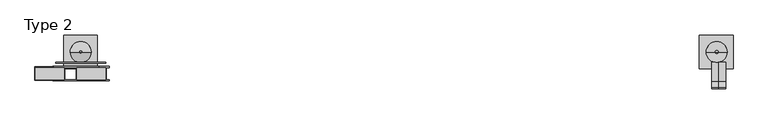
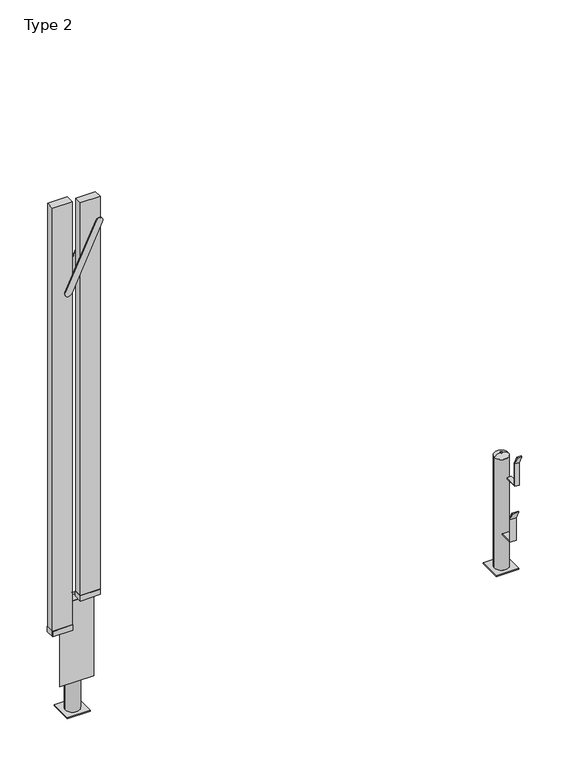
"""IFC4 building model written with IfcOpenShell, lengths in millimetres: proxy geometry, Type 2."""

from ifc_helpers import new_model, si_unit, point, frame, frame_2d, origin, place, context, project, spatial, polyline, circle_curve, ellipse_curve, trimmed, segment, composite_curve, outline, extrude, faceted_brep, source, transform, mapped, element, save
from ifc_brep_helpers import plane_surface, cylinder_surface, revolved_surface, advanced_brep


def type_2_2eb28b4f(model_context):
    return source(origin(), model_context, "Body", "SolidModel", [
        extrude(outline(polyline([(-2033.275, 301.5346202), (-2214.25, 301.5346202), (-2214.25, 382.5346202), (-2033.275, 382.5346202), (-2033.275, 301.5346202)])), frame((0.0, 0.0, 885.6125), z_axis=(0.0, 0.0, 1.0), x_axis=(1.0, 0.0, 0.0)), (0.0, 0.0, 1.0), 50.8),
        extrude(outline(polyline([(-1781.475, 301.5346202), (-1962.45, 301.5346202), (-1962.45, 382.5346202), (-1781.475, 382.5346202), (-1781.475, 301.5346202)])), frame((0.0, 0.0, 1139.6125), z_axis=(0.0, 0.0, 1.0), x_axis=(1.0, 0.0, 0.0)), (0.0, 0.0, 1.0), 50.8),
        extrude(outline(polyline([(-2034.85, 305.2596202), (-2212.65, 305.2596202), (-2212.65, 378.2846202), (-2034.85, 378.2846202), (-2034.85, 305.2596202)])), frame((0.0, 0.0, 887.2), z_axis=(0.0, 0.0, 1.0), x_axis=(1.0, 0.0, 0.0)), (0.0, 0.0, 1.0), 4087.8),
        extrude(outline(polyline([(-1783.05, 305.2596202), (-1960.85, 305.2596202), (-1960.85, 378.2846202), (-1783.05, 378.2846202), (-1783.05, 305.2596202)])), frame((0.0, 0.0, 1141.2), z_axis=(0.0, 0.0, 1.0), x_axis=(1.0, 0.0, 0.0)), (0.0, 0.0, 1.0), 3795.7),
        advanced_brep(
        [(-1833.85, 576.9346202, 9.525), (-2038.85, 576.9346202, 9.525), (-2038.85, 371.9346202, 9.525), (-1833.85, 371.9346202, 9.525), (-1871.95, 473.5346202, 9.525), (-1998.95, 473.5346202, 9.525), (-1833.85, 576.9346202, 0.0), (-1833.85, 371.9346202, 0.0), (-2038.85, 371.9346202, 0.0), (-2038.85, 576.9346202, 0.0), (-1998.95, 473.5346202, 1065.0), (-1871.95, 473.5346202, 1065.0), (-1944.9569878, 473.5346202, 1090.0), (-1925.9430122, 473.5346202, 1090.0), (-1935.45, 473.5346202, 1090.0)],
        [
            (0, 1),
            (1, 2),
            (2, 3),
            (3, 0),
            (4, 5, circle_curve(frame((-1935.45, 473.5346202, 9.525), z_axis=(0.0, 0.0, -1.0), x_axis=(1.0, 0.0, 0.0)), 63.5)),
            (5, 4, circle_curve(frame((-1935.45, 473.5346202, 9.525), z_axis=(0.0, 0.0, -1.0), x_axis=(1.0, 0.0, 0.0)), 63.5)),
            (6, 7),
            (7, 8),
            (8, 9),
            (9, 6),
            (0, 6),
            (9, 1),
            (8, 2),
            (7, 3),
            (10, 5),
            (4, 11),
            (11, 10, circle_curve(frame((-1935.45, 473.5346202, 1065.0), z_axis=(0.0, 0.0, -1.0), x_axis=(1.0, 0.0, 0.0)), 63.5)),
            (10, 11, circle_curve(frame((-1935.45, 473.5346202, 1065.0), z_axis=(0.0, 0.0, -1.0), x_axis=(1.0, 0.0, 0.0)), 63.5)),
            (12, 13, circle_curve(frame((-1935.45, 473.5346202, 1090.0), z_axis=(0.0, 0.0, -1.0), x_axis=(1.0, 0.0, 0.0)), 9.5069878)),
            (13, 11, circle_curve(frame((-1925.9430122, 473.5346202, 1019.1950926), z_axis=(0.0, 1.0, 0.0), x_axis=(-1.0, 0.0, 0.0)), 70.8049074)),
            (10, 12, circle_curve(frame((-1944.9569878, 473.5346202, 1019.1950926), z_axis=(0.0, 1.0, 0.0), x_axis=(1.0, 0.0, 0.0)), 70.8049074)),
            (13, 12, circle_curve(frame((-1935.45, 473.5346202, 1090.0), z_axis=(0.0, 0.0, -1.0), x_axis=(1.0, 0.0, 0.0)), 9.5069878)),
            (12, 14),
            (14, 13),
        ],
        [
            plane_surface(frame((-1835.65, 576.9346202, 9.525), z_axis=(0.0, 0.0, 1.0), x_axis=(-1.0, 0.0, 0.0))),
            plane_surface(frame((-1835.65, 576.9346202, 0.0), z_axis=(0.0, 0.0, -1.0), x_axis=(1.0, 0.0, 0.0))),
            plane_surface(frame((-1833.85, 576.9346202, 9.525), z_axis=(0.0, 1.0, 0.0), x_axis=(0.0, 0.0, -1.0))),
            plane_surface(frame((-2038.85, 576.9346202, 9.525), z_axis=(-1.0, 0.0, 0.0), x_axis=(0.0, 0.0, -1.0))),
            plane_surface(frame((-2038.85, 371.9346202, 9.525), z_axis=(0.0, -1.0, 0.0), x_axis=(0.0, 0.0, -1.0))),
            plane_surface(frame((-1833.85, 371.9346202, 9.525), z_axis=(1.0, 0.0, 0.0), x_axis=(0.0, 0.0, -1.0))),
            cylinder_surface(frame((-1935.45, 473.5346202, 0.0), z_axis=(0.0, 0.0, 1.0), x_axis=(1.0, 0.0, 0.0)), 63.5),
            revolved_surface(trimmed(ellipse_curve(frame((-1925.9430122, 473.5346202, 1019.1950926), z_axis=(0.0, -1.0, 0.0), x_axis=(-1.0, 0.0, 0.0)), 70.8049074, 70.8049074), [point((-1871.95, 473.5346202, 1065.0))], [point((-1925.9430122, 473.5346202, 1090.0))], True, "CARTESIAN"), (-1935.45, 473.5346202, 1090.0), (0.0, 0.0, 1.0)),
            plane_surface(frame((-1935.45, 473.5346202, 1090.0), z_axis=(0.0, 0.0, 1.0), x_axis=(1.0, 0.0, 0.0))),
        ],
        [
            (0, [[1, 2, 3, 4], [5, 6]]),
            (1, [[7, 8, 9, 10]]),
            (2, [[-1, 11, -10, 12]]),
            (3, [[-2, -12, -9, 13]]),
            (4, [[-3, -13, -8, 14]]),
            (5, [[-4, -14, -7, -11]]),
            (6, [[15, -5, 16, 17]]),
            (6, [[-15, 18, -16, -6]]),
            (7, [[19, 20, -18, 21]]),
            (7, [[-20, 22, -21, -17]]),
            (8, [[-19, 23, 24]]),
            (8, [[-22, -24, -23]]),
        ],
    ),
        advanced_brep(
        [(1830.25, 576.9346202, 9.525), (1830.25, 371.9346202, 9.525), (2035.25, 371.9346202, 9.525), (2035.25, 576.9346202, 9.525), (1998.95, 473.5346202, 9.525), (1871.95, 473.5346202, 9.525), (1830.25, 576.9346202, 0.0), (2035.25, 576.9346202, 0.0), (2035.25, 371.9346202, 0.0), (1830.25, 371.9346202, 0.0), (1871.95, 473.5346202, 1065.0), (1998.95, 473.5346202, 1065.0), (1944.9569878, 473.5346202, 1090.0), (1925.9430122, 473.5346202, 1090.0), (1935.45, 473.5346202, 1090.0)],
        [
            (0, 1),
            (1, 2),
            (2, 3),
            (3, 0),
            (4, 5, circle_curve(frame((1935.45, 473.5346202, 9.525), z_axis=(0.0, 0.0, -1.0), x_axis=(1.0, 0.0, 0.0)), 63.5)),
            (5, 4, circle_curve(frame((1935.45, 473.5346202, 9.525), z_axis=(0.0, 0.0, -1.0), x_axis=(1.0, 0.0, 0.0)), 63.5)),
            (6, 7),
            (7, 8),
            (8, 9),
            (9, 6),
            (0, 6),
            (9, 1),
            (8, 2),
            (7, 3),
            (10, 5),
            (4, 11),
            (11, 10, circle_curve(frame((1935.45, 473.5346202, 1065.0), z_axis=(0.0, 0.0, -1.0), x_axis=(1.0, 0.0, 0.0)), 63.5)),
            (10, 11, circle_curve(frame((1935.45, 473.5346202, 1065.0), z_axis=(0.0, 0.0, -1.0), x_axis=(1.0, 0.0, 0.0)), 63.5)),
            (12, 13, circle_curve(frame((1935.45, 473.5346202, 1090.0), z_axis=(0.0, 0.0, 1.0), x_axis=(-1.0, 0.0, 0.0)), 9.5069878)),
            (13, 14),
            (14, 12),
            (13, 12, circle_curve(frame((1935.45, 473.5346202, 1090.0), z_axis=(0.0, 0.0, 1.0), x_axis=(-1.0, 0.0, 0.0)), 9.5069878)),
            (12, 11, circle_curve(frame((1944.9569878, 473.5346202, 1019.1950926), z_axis=(0.0, 1.0, 0.0), x_axis=(-1.0, 0.0, 0.0)), 70.8049074)),
            (10, 13, circle_curve(frame((1925.9430122, 473.5346202, 1019.1950926), z_axis=(0.0, 1.0, 0.0), x_axis=(1.0, 0.0, 0.0)), 70.8049074)),
        ],
        [
            plane_surface(frame((-1835.65, 576.9346202, 9.525), z_axis=(0.0, 0.0, 1.0), x_axis=(-1.0, 0.0, 0.0))),
            plane_surface(frame((-1835.65, 576.9346202, 0.0), z_axis=(0.0, 0.0, -1.0), x_axis=(1.0, 0.0, 0.0))),
            plane_surface(frame((1830.25, 576.9346202, 9.525), z_axis=(-1.0, 0.0, 0.0), x_axis=(0.0, 0.0, -1.0))),
            plane_surface(frame((1830.25, 371.9346202, 9.525), z_axis=(0.0, -1.0, 0.0), x_axis=(0.0, 0.0, -1.0))),
            plane_surface(frame((2035.25, 371.9346202, 9.525), z_axis=(1.0, 0.0, 0.0), x_axis=(0.0, 0.0, -1.0))),
            plane_surface(frame((2035.25, 576.9346202, 9.525), z_axis=(0.0, 1.0, 0.0), x_axis=(0.0, 0.0, -1.0))),
            cylinder_surface(frame((1935.45, 473.5346202, 0.0), z_axis=(0.0, 0.0, 1.0), x_axis=(1.0, 0.0, 0.0)), 63.5),
            plane_surface(frame((1935.45, 473.5346202, 1090.0), z_axis=(0.0, 0.0, 1.0), x_axis=(-1.0, 0.0, 0.0))),
            revolved_surface(trimmed(ellipse_curve(frame((1925.9430122, 473.5346202, 1019.1950926), z_axis=(0.0, -1.0, 0.0), x_axis=(1.0, 0.0, 0.0)), 70.8049074, 70.8049074), [point((1925.9430122, 473.5346202, 1090.0))], [point((1871.95, 473.5346202, 1065.0))], True, "CARTESIAN"), (1935.45, 473.5346202, 1090.0), (0.0, 0.0, -1.0)),
        ],
        [
            (0, [[1, 2, 3, 4], [5, 6]]),
            (1, [[7, 8, 9, 10]]),
            (2, [[-1, 11, -10, 12]]),
            (3, [[-2, -12, -9, 13]]),
            (4, [[-3, -13, -8, 14]]),
            (5, [[-4, -14, -7, -11]]),
            (6, [[15, -5, 16, 17]]),
            (6, [[-15, 18, -16, -6]]),
            (7, [[19, 20, 21]]),
            (7, [[-20, 22, -21]]),
            (8, [[-19, 23, -18, 24]]),
            (8, [[-22, -24, -17, -23]]),
        ],
    ),
        faceted_brep([(-2087.85, 410.0346202, 1079.5), (-2087.85, 403.6846202, 1079.5), (-1783.05, 403.6846202, 1079.5), (-1783.05, 410.0346202, 1079.5), (-1783.05, 410.0346202, 304.8), (-1783.05, 403.6846202, 304.8), (-2087.85, 403.6846202, 304.8), (-2087.85, 410.0346202, 304.8), (-1935.45, 410.0346202, 304.8)], [[[0, 1, 2, 3]], [[4, 5, 6, 7, 8]], [[1, 0, 7, 6]], [[2, 1, 6, 5]], [[3, 2, 5, 4]], [[0, 3, 4, 8, 7]]]),
        faceted_brep([(1949.4290672, 292.5157925, 879.2625), (1949.4290672, 410.0346202, 879.2625), (1949.4290672, 410.0346202, 872.9125), (1949.4290672, 286.1657925, 872.9125), (1949.4290672, 286.1657925, 1087.4047389), (1949.4290672, 249.1899746, 1166.6996363), (1949.4290672, 254.945029, 1169.3832623), (1949.4290672, 292.5157925, 1088.8125), (1989.425, 292.5157925, 879.2625), (1989.425, 292.5157925, 1088.8125), (1989.425, 254.945029, 1169.3832623), (1989.425, 249.1899746, 1166.6996363), (1989.425, 286.1657925, 1087.4047389), (1989.425, 286.1657925, 872.9125), (1989.425, 410.0346202, 872.9125), (1989.425, 410.0346202, 879.2625)], [[[0, 1, 2, 3, 4, 5, 6, 7]], [[8, 9, 10, 11, 12, 13, 14, 15]], [[0, 7, 9, 8]], [[7, 6, 10, 9]], [[6, 5, 11, 10]], [[5, 4, 12, 11]], [[4, 3, 13, 12]], [[3, 2, 14, 13]], [[2, 1, 15, 14]], [[1, 0, 8, 15]]]),
        faceted_brep([(1905.3103331, 292.5157925, 360.3625), (1905.3103331, 410.0346202, 360.3625), (1905.3103331, 410.0346202, 354.0125), (1905.3103331, 286.1657925, 354.0125), (1905.3103331, 286.1657925, 568.5047389), (1905.3103331, 249.1899746, 647.7996363), (1905.3103331, 254.945029, 650.4832623), (1905.3103331, 292.5157925, 569.9125), (1960.85, 292.5157925, 360.3625), (1960.85, 292.5157925, 569.9125), (1960.85, 254.945029, 650.4832623), (1960.85, 249.1899746, 647.7996363), (1960.85, 286.1657925, 568.5047389), (1960.85, 286.1657925, 354.0125), (1960.85, 410.0346202, 354.0125), (1960.85, 410.0346202, 360.3625), (1935.45, 410.0346202, 354.0125), (1935.45, 410.0346202, 360.3625)], [[[0, 1, 2, 3, 4, 5, 6, 7]], [[8, 9, 10, 11, 12, 13, 14, 15]], [[0, 7, 9, 8]], [[7, 6, 10, 9]], [[6, 5, 11, 10]], [[5, 4, 12, 11]], [[4, 3, 13, 12]], [[3, 2, 16, 14, 13]], [[2, 1, 17, 15, 14, 16]], [[1, 0, 8, 15, 17]]]),
        extrude(outline(composite_curve([segment(trimmed(circle_curve(frame_2d((4707.8558572, -1794.5030561)), 31.75), [point((4694.2383703, -1765.8215891))], [point((4721.4733442, -1823.1845231))], False, "CARTESIAN"), True, "CONTINUOUS"), segment(polyline([(4721.4733442, -1823.1845231), (4133.0931148, -2102.5377406)]), True, "CONTINUOUS"), segment(trimmed(circle_curve(frame_2d((4119.4756278, -2073.8562736)), 31.75), [point((4133.0931148, -2102.5377406))], [point((4105.8581409, -2045.1748066))], False, "CARTESIAN"), True, "CONTINUOUS"), segment(polyline([(4105.8581409, -2045.1748066), (4694.2383703, -1765.8215891)]), True, "CONTINUOUS")], self_intersect=False)), frame((0.0, 297.2346202, 0.0), z_axis=(0.0, 1.0, 0.0), x_axis=(0.0, 0.0, 1.0)), (0.0, 0.0, 1.0), 8.025),
        extrude(outline(composite_curve([segment(trimmed(circle_curve(frame_2d((4119.4756278, -2073.8562736)), 31.75), [point((4133.0931148, -2102.5377406))], [point((4105.8581409, -2045.1748066))], False, "CARTESIAN"), True, "CONTINUOUS"), segment(polyline([(4105.8581409, -2045.1748066), (4694.2383703, -1765.8215891)]), True, "CONTINUOUS"), segment(trimmed(circle_curve(frame_2d((4707.8558572, -1794.5030561)), 31.75), [point((4694.2383703, -1765.8215891))], [point((4721.4733442, -1823.1845231))], False, "CARTESIAN"), True, "CONTINUOUS"), segment(polyline([(4721.4733442, -1823.1845231), (4133.0931148, -2102.5377406)]), True, "CONTINUOUS")], self_intersect=False)), frame((0.0, 378.2346202, 0.0), z_axis=(0.0, 1.0, 0.0), x_axis=(0.0, 0.0, 1.0)), (0.0, 0.0, 1.0), 8.0),
    ])


if __name__ == "__main__":
    model = new_model("IFC4")
    model_context = context("Model", 3, world=origin())
    ifc_project = project(units=[si_unit("LENGTHUNIT", "METRE", prefix="MILLI")], contexts=[model_context])
    site = spatial("IfcSite", under=ifc_project)
    building = spatial("IfcBuilding", under=site)
    placement = place(None, origin())
    type_2_shape = type_2_2eb28b4f(model_context)
    element("IfcBuildingElementProxy", 1, Name="Type 2", ObjectType="Type 2", at=placement, inside=building, context=model_context, shape_type="MappedRepresentation", body=[
        mapped(type_2_shape, transform((0.0, 0.0, 0.0), x_axis=(1.0, 0.0, 0.0), y_axis=(0.0, 1.0, 0.0), z_axis=(0.0, 0.0, 1.0))),
    ])
    save(model, "model.ifc")
